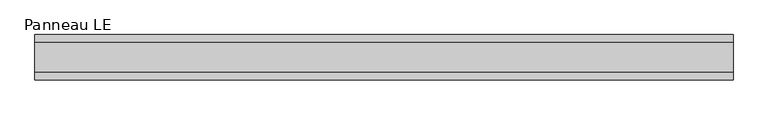
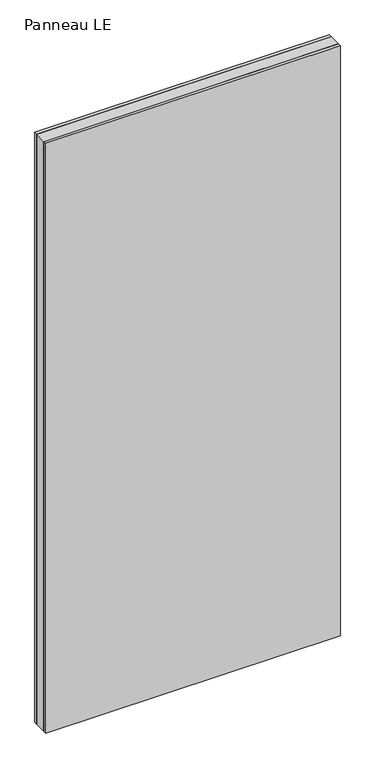
"""IFC4 building model written with IfcOpenShell, lengths in millimetres: plate geometry, Panneau LE."""

from ifc_helpers import new_model, si_unit, origin, origin_with_axes, place, context, project, spatial, polyline, outline, extrude, source, transform, mapped, element, save


def panneau_le_8d64ff09(model_context):
    return source(origin(), model_context, "Body", "SweptSolid", [
        extrude(outline(polyline([(693.128037, 29.0), (693.128037, -29.0), (-693.128037, -29.0), (-693.128037, 29.0), (693.128037, 29.0)])), origin_with_axes(), (0.0, 0.0, 1.0), 2933.0),
        extrude(outline(polyline([(693.128037, 45.0), (693.128037, 29.0), (-693.128037, 29.0), (-693.128037, 45.0), (693.128037, 45.0)])), origin_with_axes(), (0.0, 0.0, 1.0), 2933.0),
        extrude(outline(polyline([(-693.128037, -45.0), (-693.128037, -29.0), (693.128037, -29.0), (693.128037, -45.0), (-693.128037, -45.0)])), origin_with_axes(), (0.0, 0.0, 1.0), 2933.0),
    ])


if __name__ == "__main__":
    model = new_model("IFC4")
    model_context = context("Model", 3, world=origin())
    ifc_project = project(units=[si_unit("LENGTHUNIT", "METRE", prefix="MILLI")], contexts=[model_context])
    site = spatial("IfcSite", under=ifc_project)
    building = spatial("IfcBuilding", under=site)
    placement = place(None, origin())
    panneau_le_shape = panneau_le_8d64ff09(model_context)
    element("IfcPlate", 1, ObjectType="Panneau LE", at=placement, inside=building, context=model_context, shape_type="MappedRepresentation", body=[
        mapped(panneau_le_shape, transform((0.0, 0.0, 0.0), x_axis=(1.0, 0.0, 0.0), y_axis=(0.0, 1.0, 0.0), z_axis=(0.0, 0.0, 1.0))),
    ])
    save(model, "model.ifc")
